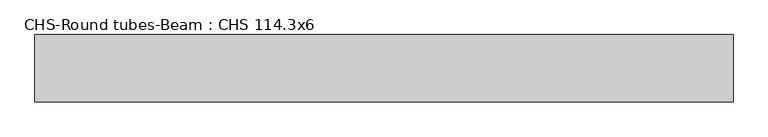
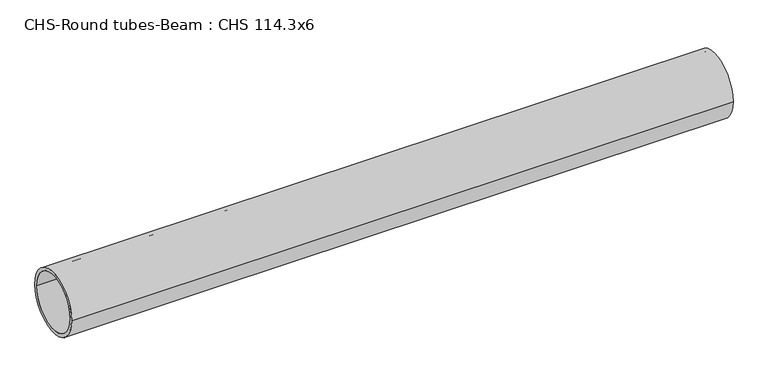
"""IFC4 building model written with IfcOpenShell, lengths in millimetres: beam geometry, CHS-Round tubes-Beam : CHS 114.3x6."""

from ifc_helpers import new_model, si_unit, point, frame, origin, origin_2d, place, context, project, spatial, circle_curve, trimmed, segment, composite_curve, outline, extrude, source, transform, mapped, element, save


def chs_round_tubes_beam_chs_114_3x6_ccfd42bc(model_context):
    return source(origin(), model_context, "Body", "SweptSolid", [
        extrude(outline(composite_curve([segment(trimmed(circle_curve(origin_2d(), 57.15), [point((57.15, 0.0))], [point((-57.15, 0.0))], False, "CARTESIAN"), True, "CONTINUOUS"), segment(trimmed(circle_curve(origin_2d(), 57.15), [point((-57.15, 0.0))], [point((57.15, 0.0))], False, "CARTESIAN"), True, "CONTINUOUS")], self_intersect=False), holes=[composite_curve([segment(trimmed(circle_curve(origin_2d(), 51.15), [point((51.15, 0.0))], [point((-51.15, 0.0))], True, "CARTESIAN"), True, "CONTINUOUS"), segment(trimmed(circle_curve(origin_2d(), 51.15), [point((-51.15, 0.0))], [point((51.15, 0.0))], True, "CARTESIAN"), True, "CONTINUOUS")], self_intersect=False)]), frame((-661.5941637, 0.0, 0.0), z_axis=(1.0, 0.0, 0.0), x_axis=(0.0, 1.0, 0.0)), (0.0, 0.0, 1.0), 1187.005009),
    ])


if __name__ == "__main__":
    model = new_model("IFC4")
    model_context = context("Model", 3, world=origin())
    ifc_project = project(units=[si_unit("LENGTHUNIT", "METRE", prefix="MILLI")], contexts=[model_context])
    site = spatial("IfcSite", under=ifc_project)
    building = spatial("IfcBuilding", under=site)
    placement = place(None, origin())
    chs_round_tubes_beam_chs_114_3x6_shape = chs_round_tubes_beam_chs_114_3x6_ccfd42bc(model_context)
    element("IfcBeam", 1, ObjectType="CHS-Round tubes-Beam : CHS 114.3x6", at=placement, inside=building, context=model_context, shape_type="MappedRepresentation", body=[
        mapped(chs_round_tubes_beam_chs_114_3x6_shape, transform((0.0, 0.0, 0.0), x_axis=(1.0, 0.0, 0.0), y_axis=(0.0, 1.0, 0.0), z_axis=(0.0, 0.0, 1.0))),
    ])
    save(model, "model.ifc")
